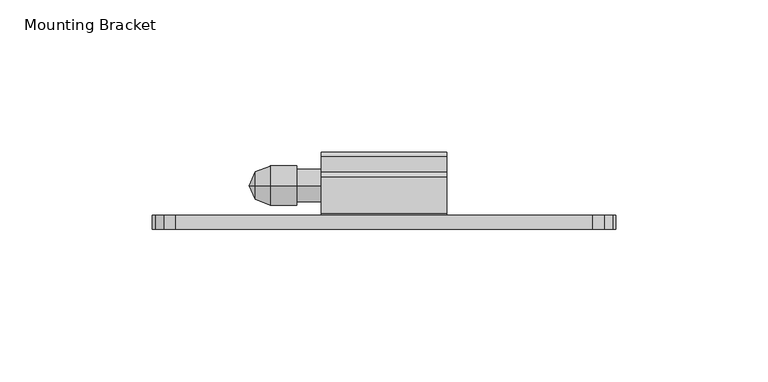
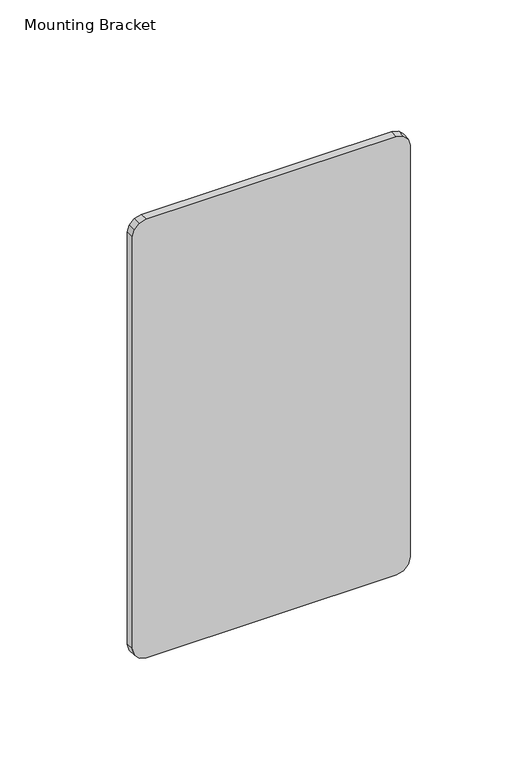
"""IFC4 building model written with IfcOpenShell, lengths in millimetres: furniture geometry, Mounting Bracket."""

from ifc_helpers import new_model, si_unit, frame, origin, place, context, project, spatial, polyline, circle_curve, outline, extrude, source, transform, mapped, element, save
from ifc_brep_helpers import plane_surface, cylinder_surface, revolved_surface, advanced_brep


def mounting_bracket_49bc0490(model_context):
    return source(origin(), model_context, "Body", "SolidModel", [
        extrude(outline(polyline([(1219.2, 636.9192799), (1219.2, 499.7592835), (1218.1791116, 495.9492826), (1215.3899991, 493.1601678), (1211.5799982, 492.1392863), (972.8200033, 492.1392863), (969.010007, 493.1601678), (966.2208785, 495.9492826), (965.1999924, 499.7592835), (965.1999924, 636.9192799), (966.2208785, 640.7292808), (969.010007, 643.5183956), (972.8200033, 644.5392817), (1211.5799982, 644.5392817), (1215.3899991, 643.5183956), (1218.1791116, 640.7292808), (1219.2, 636.9192799)])), frame((0.0, -1267.5959292, 0.0), z_axis=(0.0, 1.0, 0.0), x_axis=(0.0, 0.0, 1.0)), (0.0, 0.0, 1.0), 4.5973995),
        advanced_brep(
        [(526.0628515, -1253.1852, 1145.0219446), (526.0628515, -1253.1852, 1154.1758962), (530.8753712, -1253.1852, 1156.0717425), (530.8753712, -1253.1852, 1143.1260983), (539.6258568, -1253.1852, 1156.0717425), (539.6258568, -1253.1852, 1143.1260983), (539.6258568, -1253.1852, 1154.9617358), (539.6258568, -1253.1852, 1144.2361051), (547.6881167, -1253.1852, 1154.9617358), (547.6881167, -1253.1852, 1144.2361051), (547.6881167, -1253.1852, 1149.5989204), (524.0694412, -1253.1852, 1149.5989204)],
        [
            (0, 1, circle_curve(frame((526.0628515, -1253.1852, 1149.5989204), z_axis=(1.0, 0.0, 0.0), x_axis=(0.0, 0.0, 1.0)), 4.5769758)),
            (1, 2),
            (2, 3, circle_curve(frame((530.8753712, -1253.1852, 1149.5989204), z_axis=(-1.0, 0.0, 0.0), x_axis=(0.0, 0.0, 1.0)), 6.4728221)),
            (3, 0),
            (1, 0, circle_curve(frame((526.0628515, -1253.1852, 1149.5989204), z_axis=(1.0, 0.0, 0.0), x_axis=(0.0, 0.0, 1.0)), 4.5769758)),
            (3, 2, circle_curve(frame((530.8753712, -1253.1852, 1149.5989204), z_axis=(-1.0, 0.0, 0.0), x_axis=(0.0, 0.0, 1.0)), 6.4728221)),
            (2, 4),
            (4, 5, circle_curve(frame((539.6258568, -1253.1852, 1149.5989204), z_axis=(-1.0, 0.0, 0.0), x_axis=(0.0, 0.0, 1.0)), 6.4728221)),
            (5, 3),
            (5, 4, circle_curve(frame((539.6258568, -1253.1852, 1149.5989204), z_axis=(-1.0, 0.0, 0.0), x_axis=(0.0, 0.0, 1.0)), 6.4728221)),
            (4, 6),
            (6, 7, circle_curve(frame((539.6258568, -1253.1852, 1149.5989204), z_axis=(-1.0, 0.0, 0.0), x_axis=(0.0, 0.0, 1.0)), 5.3628154)),
            (7, 5),
            (7, 6, circle_curve(frame((539.6258568, -1253.1852, 1149.5989204), z_axis=(-1.0, 0.0, 0.0), x_axis=(0.0, 0.0, 1.0)), 5.3628154)),
            (6, 8),
            (8, 9, circle_curve(frame((547.6881167, -1253.1852, 1149.5989204), z_axis=(-1.0, 0.0, 0.0), x_axis=(0.0, 0.0, 1.0)), 5.3628154)),
            (9, 7),
            (9, 8, circle_curve(frame((547.6881167, -1253.1852, 1149.5989204), z_axis=(-1.0, 0.0, 0.0), x_axis=(0.0, 0.0, 1.0)), 5.3628154)),
            (8, 10),
            (10, 9),
            (11, 1),
            (0, 11),
        ],
        [
            revolved_surface(polyline([(530.8753712, -1253.1852, 1156.0717425), (526.0628515, -1253.1852, 1154.1758962)]), (524.0694412, -1253.1852, 1149.5989204), (-1.0, 0.0, 0.0)),
            cylinder_surface(frame((524.0694412, -1253.1852, 1149.5989204), z_axis=(-1.0, 0.0, 0.0), x_axis=(0.0, 0.0, 1.0)), 6.4728221),
            plane_surface(frame((539.6258568, -1253.1852, 1149.5989204), z_axis=(1.0, 0.0, 0.0), x_axis=(0.0, 0.0, 1.0))),
            cylinder_surface(frame((524.0694412, -1253.1852, 1149.5989204), z_axis=(-1.0, 0.0, 0.0), x_axis=(0.0, 0.0, 1.0)), 5.3628154),
            plane_surface(frame((547.6881167, -1253.1852, 1149.5989204), z_axis=(1.0, 0.0, 0.0), x_axis=(0.0, 0.0, 1.0))),
            revolved_surface(polyline([(526.0628515, -1253.1852, 1154.1758962), (524.0694412, -1253.1852, 1149.5989204)]), (524.0694412, -1253.1852, 1149.5989204), (-1.0, 0.0, 0.0)),
        ],
        [
            (0, [[1, 2, 3, 4]]),
            (0, [[5, -4, 6, -2]]),
            (1, [[-3, 7, 8, 9]]),
            (1, [[-6, -9, 10, -7]]),
            (2, [[-8, 11, 12, 13]]),
            (2, [[-10, -13, 14, -11]]),
            (3, [[-12, 15, 16, 17]]),
            (3, [[-14, -17, 18, -15]]),
            (4, [[-16, 19, 20]]),
            (4, [[-18, -20, -19]]),
            (5, [[21, -1, 22]]),
            (5, [[-22, -5, -21]]),
        ],
    ),
        extrude(outline(polyline([(-1250.3046945, 1200.1753993), (-1248.7298945, 1198.6005988), (-1248.7298945, 1193.850799), (-1249.5126046, 1191.4864416), (-1251.5515106, 1190.0561678), (-1254.041105, 1190.125034), (-1255.997826, 1191.6658334), (-1257.4420942, 1191.2316415), (-1257.4420942, 1161.4972312), (-1256.8467817, 1160.9019187), (-1243.7705444, 1160.9019187), (-1242.1957445, 1159.3271193), (-1242.1957445, 1139.9011975), (-1243.7705444, 1138.3263981), (-1261.4235441, 1138.3263981), (-1262.9985297, 1139.9013837), (-1262.9985297, 1199.5765416), (-1262.399672, 1200.1753993), (-1250.3046945, 1200.1753993)])), frame((547.6881145, 0.0, 0.0), z_axis=(1.0, 0.0, 0.0), x_axis=(0.0, 1.0, 0.0)), (0.0, 0.0, 1.0), 41.2750015),
    ])


if __name__ == "__main__":
    model = new_model("IFC4")
    model_context = context("Model", 3, world=origin())
    ifc_project = project(units=[si_unit("LENGTHUNIT", "METRE", prefix="MILLI")], contexts=[model_context])
    site = spatial("IfcSite", under=ifc_project)
    building = spatial("IfcBuilding", under=site)
    placement = place(None, origin())
    mounting_bracket_shape = mounting_bracket_49bc0490(model_context)
    element("IfcFurniture", 1, ObjectType="Mounting Bracket", at=placement, inside=building, context=model_context, shape_type="MappedRepresentation", body=[
        mapped(mounting_bracket_shape, transform((0.0, 0.0, 0.0), x_axis=(1.0, 0.0, 0.0), y_axis=(0.0, 1.0, 0.0), z_axis=(0.0, 0.0, 1.0))),
    ])
    save(model, "model.ifc")
